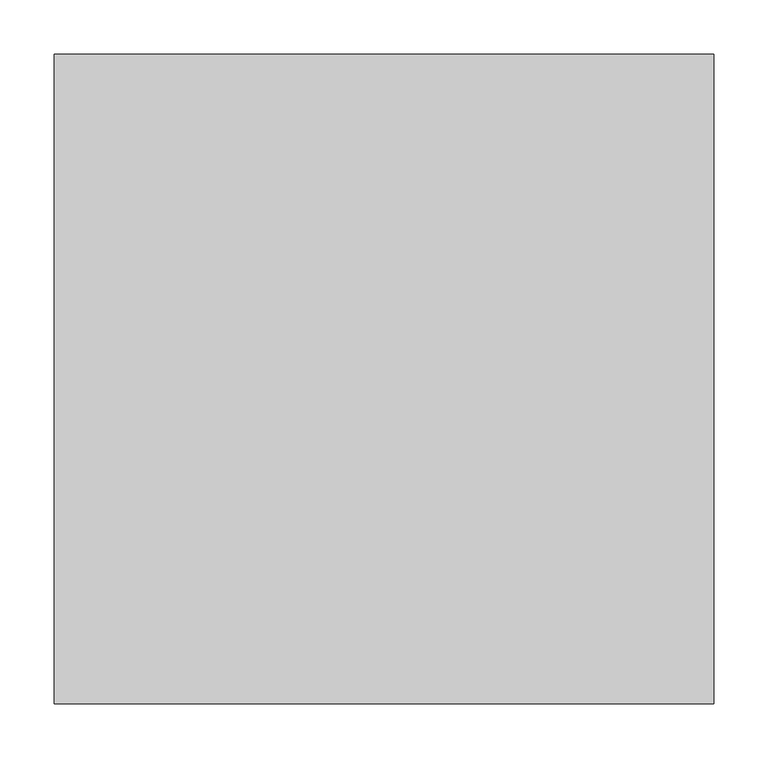
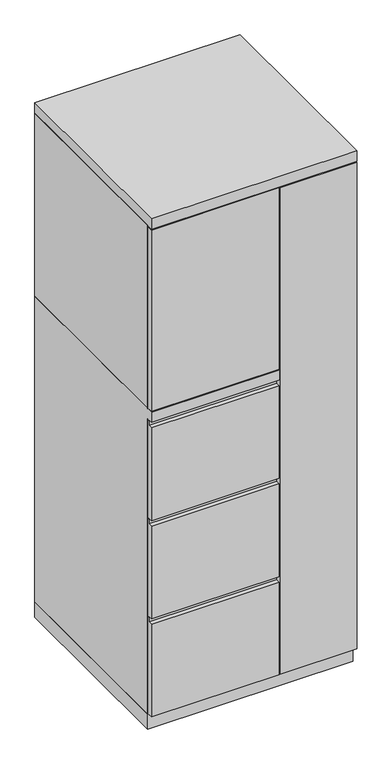
"""IFC4 building model written with IfcOpenShell, lengths in millimetres: furniture geometry."""

from ifc_helpers import new_model, si_unit, frame, origin, origin_with_axes, place, context, project, spatial, polyline, outline, extrude, faceted_brep, source, transform, mapped, element, save


def furniture_fcd25aad(model_context):
    return source(origin(), model_context, "Body", "SolidModel", [
        extrude(outline(polyline([(-581.025, 666.75), (-600.075, 666.75), (-600.075, 957.2625), (-587.375, 957.2625), (-587.375, 971.55), (-581.025, 971.55), (-581.025, 666.75)])), frame((-304.8, 0.0, 0.0), z_axis=(1.0, 0.0, 0.0), x_axis=(0.0, 1.0, 0.0)), (0.0, 0.0, 1.0), 377.825),
        extrude(outline(polyline([(-304.8, -600.075), (-304.8, -581.025), (73.025, -581.025), (73.025, -600.075), (-304.8, -600.075)])), frame((0.0, 0.0, 1009.65), z_axis=(0.0, 0.0, 1.0), x_axis=(1.0, 0.0, 0.0)), (0.0, 0.0, 1.0), 568.325),
        extrude(outline(polyline([(-581.025, 358.775), (-600.075, 358.775), (-600.075, 649.2875), (-587.375, 649.2875), (-587.375, 663.575), (-581.025, 663.575), (-581.025, 358.775)])), frame((-304.8, 0.0, 0.0), z_axis=(1.0, 0.0, 0.0), x_axis=(0.0, 1.0, 0.0)), (0.0, 0.0, 1.0), 377.825),
        extrude(outline(polyline([(304.8, -600.075), (76.2, -600.075), (76.2, -581.025), (304.8, -581.025), (304.8, -600.075)])), frame((0.0, 0.0, 50.8), z_axis=(0.0, 0.0, 1.0), x_axis=(1.0, 0.0, 0.0)), (0.0, 0.0, 1.0), 1527.175),
        extrude(outline(polyline([(-581.025, 50.8), (-600.075, 50.8), (-600.075, 341.3125), (-587.375, 341.3125), (-587.375, 355.6), (-581.025, 355.6), (-581.025, 50.8)])), frame((-304.8, 0.0, 0.0), z_axis=(1.0, 0.0, 0.0), x_axis=(0.0, 1.0, 0.0)), (0.0, 0.0, 1.0), 377.825),
        faceted_brep([(-304.8, -581.025, 47.625), (-304.8, 0.0, 47.625), (76.2, 0.0, 47.625), (76.2, -581.025, 47.625), (-304.8, 0.0, 1006.475), (76.2, 0.0, 1006.475), (-304.8, -581.025, 974.725), (-304.8, -600.075, 974.725), (-304.8, -600.075, 1006.475), (76.2, -581.025, 974.725), (57.15, -581.025, 974.725), (76.2, -581.025, 1581.15), (57.15, -581.025, 1581.15), (57.15, -581.025, 1006.475), (76.2, -581.025, 1006.475), (76.2, -19.05, 1006.475), (76.2, -19.05, 1581.15), (76.2, -600.075, 1006.475), (76.2, -600.075, 974.725), (57.15, -19.05, 1581.15), (57.15, -19.05, 1006.475)], [[[0, 1, 2, 3]], [[2, 1, 4, 5]], [[4, 1, 0, 6, 7, 8]], [[6, 0, 3, 9, 10]], [[11, 12, 13, 14]], [[2, 5, 15, 16, 11, 14, 17, 18, 9, 3]], [[16, 19, 12, 11]], [[19, 16, 15, 20]], [[12, 19, 20, 13]], [[5, 4, 8, 17, 14, 13, 20, 15]], [[18, 7, 6, 10, 9]], [[17, 8, 7, 18]]]),
        extrude(outline(polyline([(76.2, 0.0), (76.2, -19.05), (-285.75, -19.05), (-285.75, -581.025), (-304.8, -581.025), (-304.8, 0.0), (76.2, 0.0)])), frame((0.0, 0.0, 1006.475), z_axis=(0.0, 0.0, 1.0), x_axis=(1.0, 0.0, 0.0)), (0.0, 0.0, 1.0), 574.675),
        extrude(outline(polyline([(304.8, 0.0), (304.8, -581.025), (285.75, -581.025), (285.75, -19.05), (76.2, -19.05), (76.2, 0.0), (304.8, 0.0)])), frame((0.0, 0.0, 47.625), z_axis=(0.0, 0.0, 1.0), x_axis=(1.0, 0.0, 0.0)), (0.0, 0.0, 1.0), 1533.525),
        extrude(outline(polyline([(304.8, 0.0), (304.8, -600.075), (-304.8, -600.075), (-304.8, 0.0), (304.8, 0.0)])), frame((0.0, 0.0, 1581.15), z_axis=(0.0, 0.0, 1.0), x_axis=(1.0, 0.0, 0.0)), (0.0, 0.0, 1.0), 31.75),
        extrude(outline(polyline([(304.8, 0.0), (304.8, -581.025), (-304.8, -581.025), (-304.8, 0.0), (304.8, 0.0)])), origin_with_axes(), (0.0, 0.0, 1.0), 47.625),
    ])


if __name__ == "__main__":
    model = new_model("IFC4")
    model_context = context("Model", 3, world=origin())
    ifc_project = project(units=[si_unit("LENGTHUNIT", "METRE", prefix="MILLI")], contexts=[model_context])
    site = spatial("IfcSite", under=ifc_project)
    building = spatial("IfcBuilding", under=site)
    placement = place(None, origin())
    furniture_shape = furniture_fcd25aad(model_context)
    element("IfcFurniture", 1, at=placement, inside=building, context=model_context, shape_type="MappedRepresentation", body=[
        mapped(furniture_shape, transform((0.0, 0.0, 0.0), x_axis=(1.0, 0.0, 0.0), y_axis=(0.0, 1.0, 0.0), z_axis=(0.0, 0.0, 1.0))),
    ])
    save(model, "model.ifc")
